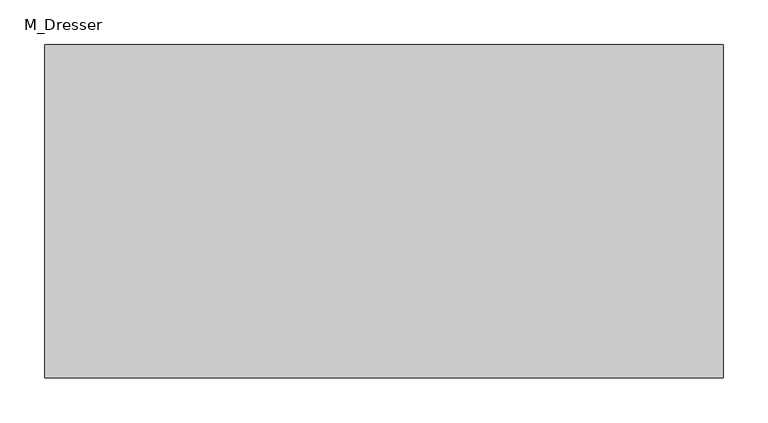
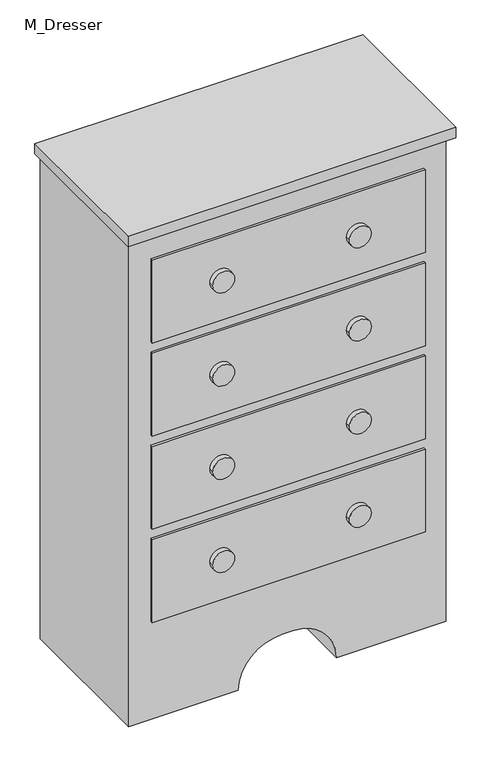
"""IFC4 building model written with IfcOpenShell, lengths in millimetres: furniture geometry, M_Dresser."""

from ifc_helpers import new_model, si_unit, point, frame, frame_2d, origin, place, context, project, spatial, polyline, circle_curve, trimmed, segment, composite_curve, outline, extrude, source, transform, mapped, element, save


def m_dresser_0170d9f5(model_context):
    return source(origin(), model_context, "Body", "SweptSolid", [
        extrude(outline(composite_curve([segment(polyline([(0.0, 99.1067402), (1193.8, 99.1067402), (1193.8, -637.4932598), (0.0, -637.4932598), (0.0, -383.4932598)]), True, "CONTINUOUS"), segment(trimmed(circle_curve(frame_2d((0.0, -281.8932598)), 101.6), [point((0.0, -383.4932598))], [point((101.6, -281.8932598))], True, "CARTESIAN"), True, "CONTINUOUS"), segment(polyline([(101.6, -281.8932598), (101.6, -256.4932598)]), True, "CONTINUOUS"), segment(trimmed(circle_curve(frame_2d((0.0, -256.4932598)), 101.6), [point((101.6, -256.4932598))], [point((0.0, -154.8932598))], True, "CARTESIAN"), True, "CONTINUOUS"), segment(polyline([(0.0, -154.8932598), (0.0, 99.1067402)]), True, "CONTINUOUS")], self_intersect=False)), frame((0.0, -540.9629541, 0.0), z_axis=(0.0, 1.0, 0.0), x_axis=(0.0, 0.0, 1.0)), (0.0, 0.0, 1.0), 355.6),
        extrude(outline(polyline([(111.8067402, -185.3629541), (111.8067402, -560.0129541), (-650.1932598, -560.0129541), (-650.1932598, -185.3629541), (111.8067402, -185.3629541)])), frame((0.0, 0.0, 1193.8), z_axis=(0.0, 0.0, 1.0), x_axis=(1.0, 0.0, 0.0)), (0.0, 0.0, 1.0), 25.4),
        extrude(outline(polyline([(48.3067402, -547.3129541), (-586.6932598, -547.3129541), (-586.6932598, -540.9629541), (48.3067402, -540.9629541), (48.3067402, -547.3129541)])), frame((0.0, 0.0, 927.1), z_axis=(0.0, 0.0, 1.0), x_axis=(1.0, 0.0, 0.0)), (0.0, 0.0, 1.0), 203.2),
        extrude(outline(polyline([(48.3067402, -547.3129541), (-586.6932598, -547.3129541), (-586.6932598, -540.9629541), (48.3067402, -540.9629541), (48.3067402, -547.3129541)])), frame((0.0, 0.0, 698.5), z_axis=(0.0, 0.0, 1.0), x_axis=(1.0, 0.0, 0.0)), (0.0, 0.0, 1.0), 203.2),
        extrude(outline(polyline([(48.3067402, -547.3129541), (-586.6932598, -547.3129541), (-586.6932598, -540.9629541), (48.3067402, -540.9629541), (48.3067402, -547.3129541)])), frame((0.0, 0.0, 469.9), z_axis=(0.0, 0.0, 1.0), x_axis=(1.0, 0.0, 0.0)), (0.0, 0.0, 1.0), 203.2),
        extrude(outline(polyline([(48.3067402, -547.3129541), (-586.6932598, -547.3129541), (-586.6932598, -540.9629541), (48.3067402, -540.9629541), (48.3067402, -547.3129541)])), frame((0.0, 0.0, 241.3), z_axis=(0.0, 0.0, 1.0), x_axis=(1.0, 0.0, 0.0)), (0.0, 0.0, 1.0), 203.2),
        extrude(outline(composite_curve([segment(trimmed(circle_curve(frame_2d((1028.7, -110.4432598)), 25.4), [point((1028.7, -135.8432598))], [point((1028.7, -85.0432598))], False, "CARTESIAN"), True, "CONTINUOUS"), segment(trimmed(circle_curve(frame_2d((1028.7, -110.4432598)), 25.4), [point((1028.7, -85.0432598))], [point((1028.7, -135.8432598))], False, "CARTESIAN"), True, "CONTINUOUS")], self_intersect=False)), frame((0.0, -560.0129541, 0.0), z_axis=(0.0, 1.0, 0.0), x_axis=(0.0, 0.0, 1.0)), (0.0, 0.0, 1.0), 12.7),
        extrude(outline(composite_curve([segment(trimmed(circle_curve(frame_2d((800.1, -110.4432598)), 25.4), [point((800.1, -135.8432598))], [point((800.1, -85.0432598))], False, "CARTESIAN"), True, "CONTINUOUS"), segment(trimmed(circle_curve(frame_2d((800.1, -110.4432598)), 25.4), [point((800.1, -85.0432598))], [point((800.1, -135.8432598))], False, "CARTESIAN"), True, "CONTINUOUS")], self_intersect=False)), frame((0.0, -560.0129541, 0.0), z_axis=(0.0, 1.0, 0.0), x_axis=(0.0, 0.0, 1.0)), (0.0, 0.0, 1.0), 12.7),
        extrude(outline(composite_curve([segment(trimmed(circle_curve(frame_2d((571.5, -110.4432598)), 25.4), [point((571.5, -135.8432598))], [point((571.5, -85.0432598))], False, "CARTESIAN"), True, "CONTINUOUS"), segment(trimmed(circle_curve(frame_2d((571.5, -110.4432598)), 25.4), [point((571.5, -85.0432598))], [point((571.5, -135.8432598))], False, "CARTESIAN"), True, "CONTINUOUS")], self_intersect=False)), frame((0.0, -560.0129541, 0.0), z_axis=(0.0, 1.0, 0.0), x_axis=(0.0, 0.0, 1.0)), (0.0, 0.0, 1.0), 12.7),
        extrude(outline(composite_curve([segment(trimmed(circle_curve(frame_2d((342.9, -110.4432598)), 25.4), [point((342.9, -135.8432598))], [point((342.9, -85.0432598))], False, "CARTESIAN"), True, "CONTINUOUS"), segment(trimmed(circle_curve(frame_2d((342.9, -110.4432598)), 25.4), [point((342.9, -85.0432598))], [point((342.9, -135.8432598))], False, "CARTESIAN"), True, "CONTINUOUS")], self_intersect=False)), frame((0.0, -560.0129541, 0.0), z_axis=(0.0, 1.0, 0.0), x_axis=(0.0, 0.0, 1.0)), (0.0, 0.0, 1.0), 12.7),
        extrude(outline(composite_curve([segment(trimmed(circle_curve(frame_2d((342.9, -427.9432598)), 25.4), [point((342.9, -453.3432598))], [point((342.9, -402.5432598))], False, "CARTESIAN"), True, "CONTINUOUS"), segment(trimmed(circle_curve(frame_2d((342.9, -427.9432598)), 25.4), [point((342.9, -402.5432598))], [point((342.9, -453.3432598))], False, "CARTESIAN"), True, "CONTINUOUS")], self_intersect=False)), frame((0.0, -560.0129541, 0.0), z_axis=(0.0, 1.0, 0.0), x_axis=(0.0, 0.0, 1.0)), (0.0, 0.0, 1.0), 12.7),
        extrude(outline(composite_curve([segment(trimmed(circle_curve(frame_2d((571.5, -427.9432598)), 25.4), [point((571.5, -453.3432598))], [point((571.5, -402.5432598))], False, "CARTESIAN"), True, "CONTINUOUS"), segment(trimmed(circle_curve(frame_2d((571.5, -427.9432598)), 25.4), [point((571.5, -402.5432598))], [point((571.5, -453.3432598))], False, "CARTESIAN"), True, "CONTINUOUS")], self_intersect=False)), frame((0.0, -560.0129541, 0.0), z_axis=(0.0, 1.0, 0.0), x_axis=(0.0, 0.0, 1.0)), (0.0, 0.0, 1.0), 12.7),
        extrude(outline(composite_curve([segment(trimmed(circle_curve(frame_2d((800.1, -427.9432598)), 25.4), [point((800.1, -453.3432598))], [point((800.1, -402.5432598))], False, "CARTESIAN"), True, "CONTINUOUS"), segment(trimmed(circle_curve(frame_2d((800.1, -427.9432598)), 25.4), [point((800.1, -402.5432598))], [point((800.1, -453.3432598))], False, "CARTESIAN"), True, "CONTINUOUS")], self_intersect=False)), frame((0.0, -560.0129541, 0.0), z_axis=(0.0, 1.0, 0.0), x_axis=(0.0, 0.0, 1.0)), (0.0, 0.0, 1.0), 12.7),
        extrude(outline(composite_curve([segment(trimmed(circle_curve(frame_2d((1028.7, -427.9432598)), 25.4), [point((1028.7, -453.3432598))], [point((1028.7, -402.5432598))], False, "CARTESIAN"), True, "CONTINUOUS"), segment(trimmed(circle_curve(frame_2d((1028.7, -427.9432598)), 25.4), [point((1028.7, -402.5432598))], [point((1028.7, -453.3432598))], False, "CARTESIAN"), True, "CONTINUOUS")], self_intersect=False)), frame((0.0, -560.0129541, 0.0), z_axis=(0.0, 1.0, 0.0), x_axis=(0.0, 0.0, 1.0)), (0.0, 0.0, 1.0), 12.7),
    ])


if __name__ == "__main__":
    model = new_model("IFC4")
    model_context = context("Model", 3, world=origin())
    ifc_project = project(units=[si_unit("LENGTHUNIT", "METRE", prefix="MILLI")], contexts=[model_context])
    site = spatial("IfcSite", under=ifc_project)
    building = spatial("IfcBuilding", under=site)
    placement = place(None, origin())
    m_dresser_shape = m_dresser_0170d9f5(model_context)
    element("IfcFurniture", 1, ObjectType="M_Dresser", at=placement, inside=building, context=model_context, shape_type="MappedRepresentation", body=[
        mapped(m_dresser_shape, transform((0.0, 0.0, 0.0), x_axis=(1.0, 0.0, 0.0), y_axis=(0.0, 1.0, 0.0), z_axis=(0.0, 0.0, 1.0))),
    ])
    save(model, "model.ifc")
